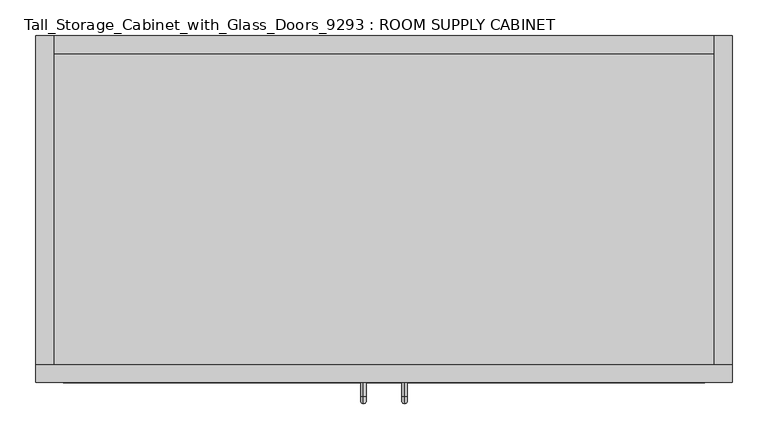
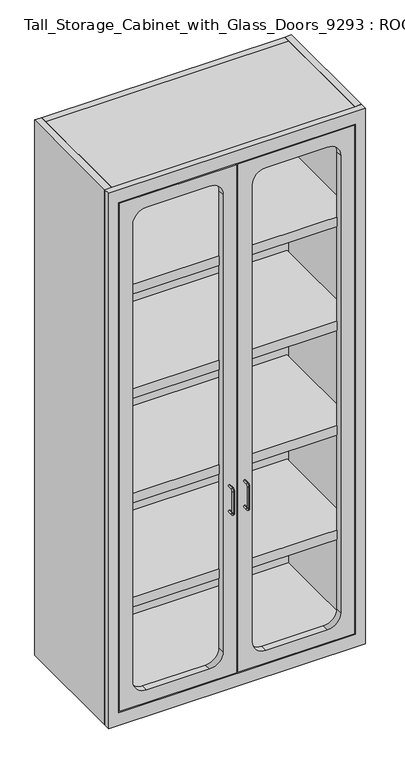
"""IFC4 building model written with IfcOpenShell, lengths in millimetres: proxy geometry, Tall_Storage_Cabinet_with_Glass_Doors_9293 : ROOM SUPPLY CABINET."""

from ifc_helpers import new_model, si_unit, point, frame, frame_2d, origin, origin_with_axes, place, context, project, spatial, polyline, circle_curve, ellipse_curve, trimmed, segment, composite_curve, outline, extrude, source, transform, mapped, element, save
from ifc_brep_helpers import plane_surface, cylinder_surface, revolved_surface, advanced_brep


def tall_storage_cabinet_with_glass_doors_9293_room_supply_3e2f9f5a(model_context):
    return source(origin(), model_context, "Body", "SolidModel", [
        extrude(outline(polyline([(917.5673951, 431.8), (917.5673951, 0.0), (0.0, 0.0), (0.0, 431.8), (917.5673951, 431.8)])), frame((0.0, 0.0, 2108.2), z_axis=(0.0, 0.0, 1.0), x_axis=(1.0, 0.0, 0.0)), (0.0, 0.0, 1.0), 25.4),
        extrude(outline(polyline([(917.5673951, 431.8), (917.5673951, 0.0), (0.0, 0.0), (0.0, 431.8), (917.5673951, 431.8)])), frame((0.0, 0.0, 28.575), z_axis=(0.0, 0.0, 1.0), x_axis=(1.0, 0.0, 0.0)), (0.0, 0.0, 1.0), 25.4),
        extrude(outline(polyline([(917.5673951, 431.8), (0.0, 431.8), (0.0, 457.2), (917.5673951, 457.2), (917.5673951, 431.8)])), origin_with_axes(), (0.0, 0.0, 1.0), 2133.6),
        extrude(outline(polyline([(-25.4, 0.0), (-25.4, 457.2), (0.0, 457.2), (0.0, 0.0), (-25.4, 0.0)])), origin_with_axes(), (0.0, 0.0, 1.0), 2133.6),
        extrude(outline(polyline([(942.9673951, 457.2), (942.9673951, 0.0), (917.5673951, 0.0), (917.5673951, 457.2), (942.9673951, 457.2)])), origin_with_axes(), (0.0, 0.0, 1.0), 2133.6),
        advanced_brep(
        [(487.359965, -25.4, 813.435), (487.359965, -25.4, 805.815), (487.359965, -44.45, 813.435), (487.359965, -44.45, 805.815), (487.359965, -46.99, 803.275), (487.359965, -54.61, 803.275), (487.359965, -54.61, 714.375), (487.359965, -46.99, 714.375), (487.359965, -44.45, 711.835), (487.359965, -44.45, 704.215), (487.359965, -25.4, 704.215), (487.359965, -25.4, 711.835)],
        [
            (0, 1, circle_curve(frame((487.359965, -25.4, 809.625), z_axis=(0.0, 1.0, 0.0), x_axis=(0.0, 0.0, -1.0)), 3.81)),
            (1, 0, circle_curve(frame((487.359965, -25.4, 809.625), z_axis=(0.0, 1.0, 0.0), x_axis=(0.0, 0.0, -1.0)), 3.81)),
            (0, 2),
            (2, 3, circle_curve(frame((487.359965, -44.45, 809.625), z_axis=(0.0, 1.0, 0.0), x_axis=(0.0, 0.0, -1.0)), 3.81)),
            (3, 1),
            (3, 2, circle_curve(frame((487.359965, -44.45, 809.625), z_axis=(0.0, 1.0, 0.0), x_axis=(0.0, 0.0, -1.0)), 3.81)),
            (4, 3, circle_curve(frame((487.359965, -44.45, 803.275), z_axis=(-1.0, 0.0, 0.0), x_axis=(0.0, 0.0, 1.0)), 2.54)),
            (2, 5, circle_curve(frame((487.359965, -44.45, 803.275), z_axis=(1.0, 0.0, 0.0), x_axis=(0.0, 0.0, 1.0)), 10.16)),
            (5, 4, circle_curve(frame((487.359965, -50.8, 803.275), z_axis=(0.0, 0.0, 1.0), x_axis=(0.0, 1.0, 0.0)), 3.81)),
            (4, 5, circle_curve(frame((487.359965, -50.8, 803.275), z_axis=(0.0, 0.0, 1.0), x_axis=(0.0, 1.0, 0.0)), 3.81)),
            (5, 6),
            (6, 7, circle_curve(frame((487.359965, -50.8, 714.375), z_axis=(0.0, 0.0, 1.0), x_axis=(0.0, 1.0, 0.0)), 3.81)),
            (7, 4),
            (7, 6, circle_curve(frame((487.359965, -50.8, 714.375), z_axis=(0.0, 0.0, 1.0), x_axis=(0.0, 1.0, 0.0)), 3.81)),
            (8, 7, circle_curve(frame((487.359965, -44.45, 714.375), z_axis=(-1.0, 0.0, 0.0), x_axis=(0.0, -1.0, 0.0)), 2.54)),
            (6, 9, circle_curve(frame((487.359965, -44.45, 714.375), z_axis=(1.0, 0.0, 0.0), x_axis=(0.0, -1.0, 0.0)), 10.16)),
            (9, 8, circle_curve(frame((487.359965, -44.45, 708.025), z_axis=(0.0, -1.0, 0.0), x_axis=(0.0, 0.0, 1.0)), 3.81)),
            (8, 9, circle_curve(frame((487.359965, -44.45, 708.025), z_axis=(0.0, -1.0, 0.0), x_axis=(0.0, 0.0, 1.0)), 3.81)),
            (10, 11, circle_curve(frame((487.359965, -25.4, 708.025), z_axis=(0.0, 1.0, 0.0), x_axis=(0.0, 0.0, 1.0)), 3.81)),
            (11, 10, circle_curve(frame((487.359965, -25.4, 708.025), z_axis=(0.0, 1.0, 0.0), x_axis=(0.0, 0.0, 1.0)), 3.81)),
            (9, 10),
            (11, 8),
        ],
        [
            plane_surface(frame((487.359965, -25.4, 809.625), z_axis=(0.0, 1.0, 0.0), x_axis=(1.0, 0.0, 0.0))),
            cylinder_surface(frame((487.359965, -25.4, 809.625), z_axis=(0.0, 1.0, 0.0), x_axis=(0.0, 0.0, -1.0)), 3.81),
            revolved_surface(trimmed(ellipse_curve(frame((487.359965, -44.45, 809.625), z_axis=(0.0, 1.0, 0.0), x_axis=(0.0, 0.0, -1.0)), 3.81, 3.81), [point((487.359965, -44.45, 813.435))], [point((487.359965, -44.45, 805.815))], True, "CARTESIAN"), (487.359965, -44.45, 803.275), (1.0, 0.0, 0.0)),
            revolved_surface(trimmed(ellipse_curve(frame((487.359965, -44.45, 809.625), z_axis=(0.0, 1.0, 0.0), x_axis=(0.0, 0.0, -1.0)), 3.81, 3.81), [point((487.359965, -44.45, 805.815))], [point((487.359965, -44.45, 813.435))], True, "CARTESIAN"), (487.359965, -44.45, 803.275), (1.0, 0.0, 0.0)),
            cylinder_surface(frame((487.359965, -50.8, 803.275), z_axis=(0.0, 0.0, 1.0), x_axis=(0.0, 1.0, 0.0)), 3.81),
            revolved_surface(trimmed(ellipse_curve(frame((487.359965, -50.8, 714.375), z_axis=(0.0, 0.0, 1.0), x_axis=(0.0, 1.0, 0.0)), 3.81, 3.81), [point((487.359965, -54.61, 714.375))], [point((487.359965, -46.99, 714.375))], True, "CARTESIAN"), (487.359965, -44.45, 714.375), (1.0, 0.0, 0.0)),
            revolved_surface(trimmed(ellipse_curve(frame((487.359965, -50.8, 714.375), z_axis=(0.0, 0.0, 1.0), x_axis=(0.0, 1.0, 0.0)), 3.81, 3.81), [point((487.359965, -46.99, 714.375))], [point((487.359965, -54.61, 714.375))], True, "CARTESIAN"), (487.359965, -44.45, 714.375), (1.0, 0.0, 0.0)),
            plane_surface(frame((487.359965, -25.4, 708.025), z_axis=(0.0, 1.0, 0.0), x_axis=(1.0, 0.0, 0.0))),
            cylinder_surface(frame((487.359965, -44.45, 708.025), z_axis=(0.0, -1.0, 0.0), x_axis=(0.0, 0.0, 1.0)), 3.81),
        ],
        [
            (0, [[1, 2]]),
            (1, [[-1, 3, 4, 5]]),
            (1, [[-2, -5, 6, -3]]),
            (2, [[7, -4, 8, 9]]),
            (3, [[-8, -6, -7, 10]]),
            (4, [[-9, 11, 12, 13]]),
            (4, [[-10, -13, 14, -11]]),
            (5, [[15, -12, 16, 17]]),
            (6, [[-16, -14, -15, 18]]),
            (7, [[19, 20]]),
            (8, [[-17, 21, -20, 22]]),
            (8, [[-18, -22, -19, -21]]),
        ],
    ),
        advanced_brep(
        [(430.20743, -25.4, 813.435), (430.20743, -25.4, 805.815), (430.20743, -44.45, 813.435), (430.20743, -44.45, 805.815), (430.20743, -46.99, 803.275), (430.20743, -54.61, 803.275), (430.20743, -54.61, 714.375), (430.20743, -46.99, 714.375), (430.20743, -44.45, 711.835), (430.20743, -44.45, 704.215), (430.20743, -25.4, 704.215), (430.20743, -25.4, 711.835)],
        [
            (0, 1, circle_curve(frame((430.20743, -25.4, 809.625), z_axis=(0.0, 1.0, 0.0), x_axis=(0.0, 0.0, -1.0)), 3.81)),
            (1, 0, circle_curve(frame((430.20743, -25.4, 809.625), z_axis=(0.0, 1.0, 0.0), x_axis=(0.0, 0.0, -1.0)), 3.81)),
            (0, 2),
            (2, 3, circle_curve(frame((430.20743, -44.45, 809.625), z_axis=(0.0, 1.0, 0.0), x_axis=(0.0, 0.0, -1.0)), 3.81)),
            (3, 1),
            (3, 2, circle_curve(frame((430.20743, -44.45, 809.625), z_axis=(0.0, 1.0, 0.0), x_axis=(0.0, 0.0, -1.0)), 3.81)),
            (4, 3, circle_curve(frame((430.20743, -44.45, 803.275), z_axis=(-1.0, 0.0, 0.0), x_axis=(0.0, 0.0, 1.0)), 2.54)),
            (2, 5, circle_curve(frame((430.20743, -44.45, 803.275), z_axis=(1.0, 0.0, 0.0), x_axis=(0.0, 0.0, 1.0)), 10.16)),
            (5, 4, circle_curve(frame((430.20743, -50.8, 803.275), z_axis=(0.0, 0.0, 1.0), x_axis=(0.0, 1.0, 0.0)), 3.81)),
            (4, 5, circle_curve(frame((430.20743, -50.8, 803.275), z_axis=(0.0, 0.0, 1.0), x_axis=(0.0, 1.0, 0.0)), 3.81)),
            (5, 6),
            (6, 7, circle_curve(frame((430.20743, -50.8, 714.375), z_axis=(0.0, 0.0, 1.0), x_axis=(0.0, 1.0, 0.0)), 3.81)),
            (7, 4),
            (7, 6, circle_curve(frame((430.20743, -50.8, 714.375), z_axis=(0.0, 0.0, 1.0), x_axis=(0.0, 1.0, 0.0)), 3.81)),
            (8, 7, circle_curve(frame((430.20743, -44.45, 714.375), z_axis=(-1.0, 0.0, 0.0), x_axis=(0.0, -1.0, 0.0)), 2.54)),
            (6, 9, circle_curve(frame((430.20743, -44.45, 714.375), z_axis=(1.0, 0.0, 0.0), x_axis=(0.0, -1.0, 0.0)), 10.16)),
            (9, 8, circle_curve(frame((430.20743, -44.45, 708.025), z_axis=(0.0, -1.0, 0.0), x_axis=(0.0, 0.0, 1.0)), 3.81)),
            (8, 9, circle_curve(frame((430.20743, -44.45, 708.025), z_axis=(0.0, -1.0, 0.0), x_axis=(0.0, 0.0, 1.0)), 3.81)),
            (10, 11, circle_curve(frame((430.20743, -25.4, 708.025), z_axis=(0.0, 1.0, 0.0), x_axis=(0.0, 0.0, 1.0)), 3.81)),
            (11, 10, circle_curve(frame((430.20743, -25.4, 708.025), z_axis=(0.0, 1.0, 0.0), x_axis=(0.0, 0.0, 1.0)), 3.81)),
            (9, 10),
            (11, 8),
        ],
        [
            plane_surface(frame((430.20743, -25.4, 809.625), z_axis=(0.0, 1.0, 0.0), x_axis=(1.0, 0.0, 0.0))),
            cylinder_surface(frame((430.20743, -25.4, 809.625), z_axis=(0.0, 1.0, 0.0), x_axis=(0.0, 0.0, -1.0)), 3.81),
            revolved_surface(trimmed(ellipse_curve(frame((430.20743, -44.45, 809.625), z_axis=(0.0, 1.0, 0.0), x_axis=(0.0, 0.0, -1.0)), 3.81, 3.81), [point((430.20743, -44.45, 813.435))], [point((430.20743, -44.45, 805.815))], True, "CARTESIAN"), (430.20743, -44.45, 803.275), (1.0, 0.0, 0.0)),
            revolved_surface(trimmed(ellipse_curve(frame((430.20743, -44.45, 809.625), z_axis=(0.0, 1.0, 0.0), x_axis=(0.0, 0.0, -1.0)), 3.81, 3.81), [point((430.20743, -44.45, 805.815))], [point((430.20743, -44.45, 813.435))], True, "CARTESIAN"), (430.20743, -44.45, 803.275), (1.0, 0.0, 0.0)),
            cylinder_surface(frame((430.20743, -50.8, 803.275), z_axis=(0.0, 0.0, 1.0), x_axis=(0.0, 1.0, 0.0)), 3.81),
            revolved_surface(trimmed(ellipse_curve(frame((430.20743, -50.8, 714.375), z_axis=(0.0, 0.0, 1.0), x_axis=(0.0, 1.0, 0.0)), 3.81, 3.81), [point((430.20743, -54.61, 714.375))], [point((430.20743, -46.99, 714.375))], True, "CARTESIAN"), (430.20743, -44.45, 714.375), (1.0, 0.0, 0.0)),
            revolved_surface(trimmed(ellipse_curve(frame((430.20743, -50.8, 714.375), z_axis=(0.0, 0.0, 1.0), x_axis=(0.0, 1.0, 0.0)), 3.81, 3.81), [point((430.20743, -46.99, 714.375))], [point((430.20743, -54.61, 714.375))], True, "CARTESIAN"), (430.20743, -44.45, 714.375), (1.0, 0.0, 0.0)),
            plane_surface(frame((430.20743, -25.4, 708.025), z_axis=(0.0, 1.0, 0.0), x_axis=(1.0, 0.0, 0.0))),
            cylinder_surface(frame((430.20743, -44.45, 708.025), z_axis=(0.0, -1.0, 0.0), x_axis=(0.0, 0.0, 1.0)), 3.81),
        ],
        [
            (0, [[1, 2]]),
            (1, [[-1, 3, 4, 5]]),
            (1, [[-2, -5, 6, -3]]),
            (2, [[7, -4, 8, 9]]),
            (3, [[-8, -6, -7, 10]]),
            (4, [[-9, 11, 12, 13]]),
            (4, [[-10, -13, 14, -11]]),
            (5, [[15, -12, 16, 17]]),
            (6, [[-16, -14, -15, 18]]),
            (7, [[19, 20]]),
            (8, [[-17, 21, -20, 22]]),
            (8, [[-18, -22, -19, -21]]),
        ],
    ),
        extrude(outline(polyline([(53.975, 15.875), (53.975, 457.1911276), (2079.625, 457.1911276), (2079.625, 15.875), (53.975, 15.875)]), holes=[composite_curve([segment(polyline([(155.575, 66.675), (1978.025, 66.675)]), True, "CONTINUOUS"), segment(trimmed(circle_curve(frame_2d((1978.025, 117.475)), 50.8), [point((1978.025, 66.675))], [point((2028.825, 117.475))], True, "CARTESIAN"), True, "CONTINUOUS"), segment(polyline([(2028.825, 117.475), (2028.825, 355.5911276)]), True, "CONTINUOUS"), segment(trimmed(circle_curve(frame_2d((1978.025, 355.5911276)), 50.8), [point((2028.825, 355.5911276))], [point((1978.025, 406.3911276))], True, "CARTESIAN"), True, "CONTINUOUS"), segment(polyline([(1978.025, 406.3911276), (155.575, 406.3911276)]), True, "CONTINUOUS"), segment(trimmed(circle_curve(frame_2d((155.575, 355.5911276)), 50.8), [point((155.575, 406.3911276))], [point((104.775, 355.5911276))], True, "CARTESIAN"), True, "CONTINUOUS"), segment(polyline([(104.775, 355.5911276), (104.775, 117.475)]), True, "CONTINUOUS"), segment(trimmed(circle_curve(frame_2d((155.575, 117.475)), 50.8), [point((104.775, 117.475))], [point((155.575, 66.675))], True, "CARTESIAN"), True, "CONTINUOUS")], self_intersect=False)]), frame((0.0, -25.4, 0.0), z_axis=(0.0, 1.0, 0.0), x_axis=(0.0, 0.0, 1.0)), (0.0, 0.0, 1.0), 25.4),
        extrude(outline(polyline([(2079.625, 901.7), (2079.625, 460.3661276), (53.975, 460.3661276), (53.975, 901.7), (2079.625, 901.7)]), holes=[composite_curve([segment(polyline([(155.575, 517.5211975), (1978.025, 517.5211975)]), True, "CONTINUOUS"), segment(trimmed(circle_curve(frame_2d((1978.025, 568.3211975)), 50.8), [point((1978.025, 517.5211975))], [point((2028.825, 568.3211975))], True, "CARTESIAN"), True, "CONTINUOUS"), segment(polyline([(2028.825, 568.3211975), (2028.825, 800.1)]), True, "CONTINUOUS"), segment(trimmed(circle_curve(frame_2d((1978.025, 800.1)), 50.8), [point((2028.825, 800.1))], [point((1978.025, 850.9))], True, "CARTESIAN"), True, "CONTINUOUS"), segment(polyline([(1978.025, 850.9), (155.575, 850.9)]), True, "CONTINUOUS"), segment(trimmed(circle_curve(frame_2d((155.575, 800.1)), 50.8), [point((155.575, 850.9))], [point((104.775, 800.1))], True, "CARTESIAN"), True, "CONTINUOUS"), segment(polyline([(104.775, 800.1), (104.775, 568.3211975)]), True, "CONTINUOUS"), segment(trimmed(circle_curve(frame_2d((155.575, 568.3211975)), 50.8), [point((104.775, 568.3211975))], [point((155.575, 517.5211975))], True, "CARTESIAN"), True, "CONTINUOUS")], self_intersect=False)]), frame((0.0, -25.4, 0.0), z_axis=(0.0, 1.0, 0.0), x_axis=(0.0, 0.0, 1.0)), (0.0, 0.0, 1.0), 25.4),
        extrude(outline(polyline([(2133.6, 942.9673951), (2133.6, -25.4), (0.0, -25.4), (0.0, 942.9673951), (2133.6, 942.9673951)]), holes=[polyline([(2082.8, 904.8673951), (50.8, 904.8673951), (50.8, 12.7), (2082.8, 12.7), (2082.8, 904.8673951)])]), frame((0.0, -25.4, 0.0), z_axis=(0.0, 1.0, 0.0), x_axis=(0.0, 0.0, 1.0)), (0.0, 0.0, 1.0), 25.4),
        extrude(outline(polyline([(911.225, 0.0), (3.175, 0.0), (3.175, 431.8), (911.225, 431.8), (911.225, 0.0)])), frame((0.0, 0.0, 1263.65), z_axis=(0.0, 0.0, 1.0), x_axis=(1.0, 0.0, 0.0)), (0.0, 0.0, 1.0), 38.1),
        extrude(outline(polyline([(911.225, 0.0), (3.175, 0.0), (3.175, 431.8), (911.225, 431.8), (911.225, 0.0)])), frame((0.0, 0.0, 847.725), z_axis=(0.0, 0.0, 1.0), x_axis=(1.0, 0.0, 0.0)), (0.0, 0.0, 1.0), 38.1),
        extrude(outline(polyline([(911.225, 0.0), (3.175, 0.0), (3.175, 431.8), (911.225, 431.8), (911.225, 0.0)])), frame((0.0, 0.0, 431.8), z_axis=(0.0, 0.0, 1.0), x_axis=(1.0, 0.0, 0.0)), (0.0, 0.0, 1.0), 38.1),
        extrude(outline(polyline([(911.225, 0.0), (3.175, 0.0), (3.175, 431.8), (911.225, 431.8), (911.225, 0.0)])), frame((0.0, 0.0, 1679.575), z_axis=(0.0, 0.0, 1.0), x_axis=(1.0, 0.0, 0.0)), (0.0, 0.0, 1.0), 38.1),
    ])


if __name__ == "__main__":
    model = new_model("IFC4")
    model_context = context("Model", 3, world=origin())
    ifc_project = project(units=[si_unit("LENGTHUNIT", "METRE", prefix="MILLI")], contexts=[model_context])
    site = spatial("IfcSite", under=ifc_project)
    building = spatial("IfcBuilding", under=site)
    placement = place(None, origin())
    tall_storage_cabinet_with_glass_doors_9293_room_supply_shape = tall_storage_cabinet_with_glass_doors_9293_room_supply_3e2f9f5a(model_context)
    element("IfcBuildingElementProxy", 1, Name="Tall_Storage_Cabinet_with_Glass_Doors_9293 : ROOM SUPPLY CABINET", ObjectType="Tall_Storage_Cabinet_with_Glass_Doors_9293 : ROOM SUPPLY CABINET", at=placement, inside=building, context=model_context, shape_type="MappedRepresentation", body=[
        mapped(tall_storage_cabinet_with_glass_doors_9293_room_supply_shape, transform((0.0, 0.0, 0.0), x_axis=(1.0, 0.0, 0.0), y_axis=(0.0, 1.0, 0.0), z_axis=(0.0, 0.0, 1.0))),
    ])
    save(model, "model.ifc")
